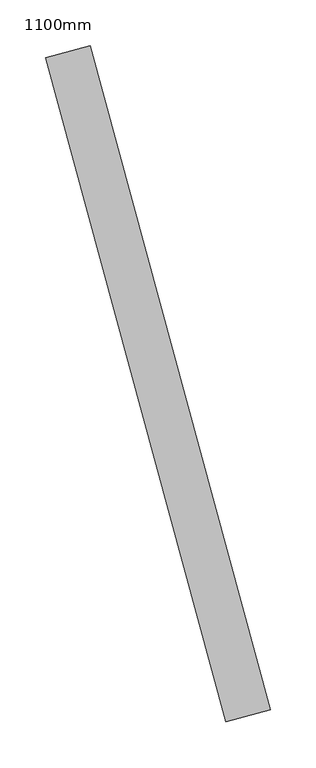
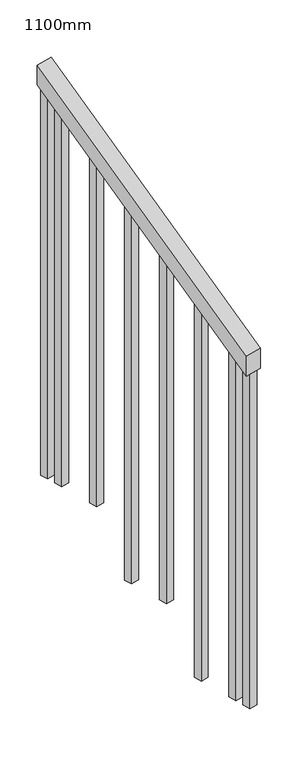
"""IFC4 building model written with IfcOpenShell, lengths in millimetres: railing geometry, 1100mm."""

from ifc_helpers import new_model, si_unit, frame, origin, place, context, project, spatial, polyline, outline, extrude, source, transform, mapped, element, save


def railing_1100mm_a17a8c31(model_context):
    return source(origin(), model_context, "Body", "SweptSolid", [
        extrude(outline(polyline([(-35.5555555, -50.0), (0.0, 0.0), (920.2958462, 0.0), (884.7402906, -50.0), (-35.5555555, -50.0)])), frame((187995.7803222, -74349.6933691, 1277.7777778), z_axis=(0.9649894123601837, 0.26228883703418915, 0.0), x_axis=(-0.2137536843159557, 0.7864232597553938, 0.5795237863600209)), (0.0, 0.0, 1.0), 50.0),
        extrude(outline(polyline([(1271.980277, -25.0), (108.8888889, -25.0), (91.1111112, 0.0), (1271.980277, 0.0), (1271.980277, -25.0)])), frame((187824.2405039, -73670.92217, 1805.3136103), z_axis=(0.9649894123601837, 0.26228883703418915, 0.0), x_axis=(0.0, 0.0, -1.0)), (0.0, 0.0, 1.0), 25.0),
        extrude(outline(polyline([(1183.0913881, -25.0), (108.8888889, -25.0), (91.1111111, 0.0), (1183.0913881, 0.0), (1183.0913881, -25.0)])), frame((187857.0266086, -73791.5458465, 1716.4247214), z_axis=(0.9649894123601837, 0.26228883703418915, 0.0), x_axis=(0.0, 0.0, -1.0)), (0.0, 0.0, 1.0), 25.0),
        extrude(outline(polyline([(1271.9802769, -25.0), (108.8888889, -25.0), (91.1111111, 0.0), (1271.9802769, 0.0), (1271.9802769, -25.0)])), frame((187889.8127132, -73912.1695231, 1627.5358325), z_axis=(0.9649894123601837, 0.26228883703418915, 0.0), x_axis=(0.0, 0.0, -1.0)), (0.0, 0.0, 1.0), 25.0),
        extrude(outline(polyline([(1183.091388, -25.0), (108.8888889, -25.0), (91.1111111, 0.0), (1183.091388, 0.0), (1183.091388, -25.0)])), frame((187922.5988178, -74032.7931996, 1538.6469436), z_axis=(0.9649894123601837, 0.26228883703418915, 0.0), x_axis=(0.0, 0.0, -1.0)), (0.0, 0.0, 1.0), 25.0),
        extrude(outline(polyline([(1271.9802769, -25.0000001), (108.8888889, -25.0000001), (91.1111111, 0.0), (1271.9802769, 0.0), (1271.9802769, -25.0000001)])), frame((187955.3849224, -74153.4168761, 1449.7580547), z_axis=(0.9649894123601837, 0.26228883703418915, 0.0), x_axis=(0.0, 0.0, -1.0)), (0.0, 0.0, 1.0), 25.0),
        extrude(outline(polyline([(1183.091388, -25.0), (108.8888889, -25.0), (91.1111111, 0.0), (1183.091388, 0.0), (1183.091388, -25.0)])), frame((187988.1710271, -74274.0405527, 1360.8691658), z_axis=(0.9649894123601837, 0.26228883703418915, 0.0), x_axis=(0.0, 0.0, -1.0)), (0.0, 0.0, 1.0), 25.0),
        extrude(outline(polyline([(1307.5358325, -25.0), (108.8888889, -25.0), (91.1111111, 0.0), (1307.5358325, 0.0), (1307.5358325, -25.0)])), frame((187811.1260621, -73622.6726994, 1840.8691658), z_axis=(0.9649894123601837, 0.26228883703418915, 0.0), x_axis=(0.0, 0.0, -1.0)), (0.0, 0.0, 1.0), 25.0),
        extrude(outline(polyline([(1147.5358325, -25.0), (108.8888889, -25.0), (91.1111112, 0.0), (1147.5358325, 0.0), (1147.5358325, -25.0)])), frame((188001.2854689, -74322.2900233, 1325.3136103), z_axis=(0.9649894123601837, 0.26228883703418915, 0.0), x_axis=(0.0, 0.0, -1.0)), (0.0, 0.0, 1.0), 25.0),
    ])


if __name__ == "__main__":
    model = new_model("IFC4")
    model_context = context("Model", 3, world=origin())
    ifc_project = project(units=[si_unit("LENGTHUNIT", "METRE", prefix="MILLI")], contexts=[model_context])
    site = spatial("IfcSite", under=ifc_project)
    building = spatial("IfcBuilding", under=site)
    placement = place(None, origin())
    railing_1100mm_shape = railing_1100mm_a17a8c31(model_context)
    element("IfcRailing", 1, ObjectType="1100mm", at=placement, inside=building, context=model_context, shape_type="MappedRepresentation", body=[
        mapped(railing_1100mm_shape, transform((0.0, 0.0, 0.0), x_axis=(1.0, 0.0, 0.0), y_axis=(0.0, 1.0, 0.0), z_axis=(0.0, 0.0, 1.0))),
    ])
    save(model, "model.ifc")
